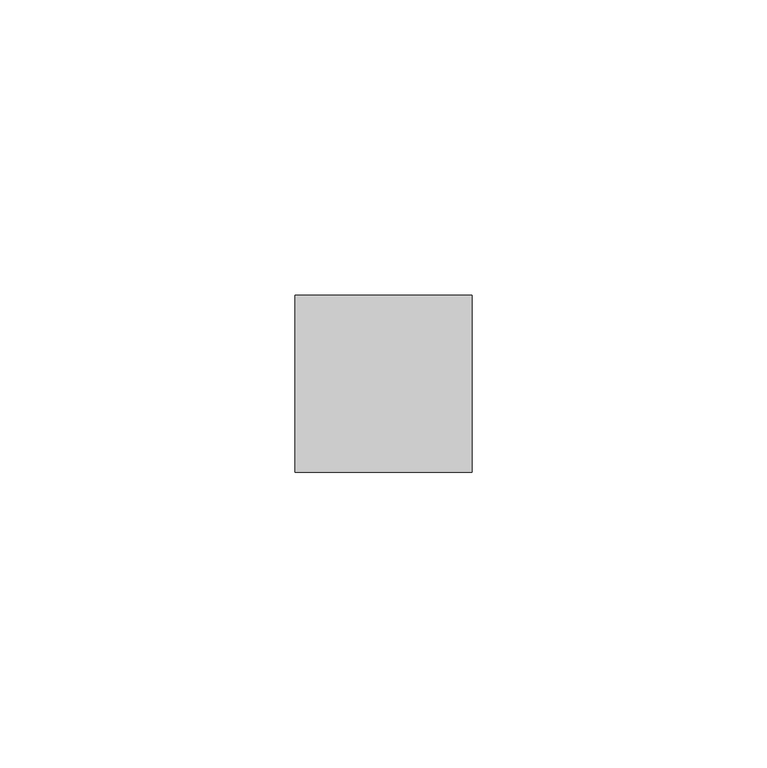
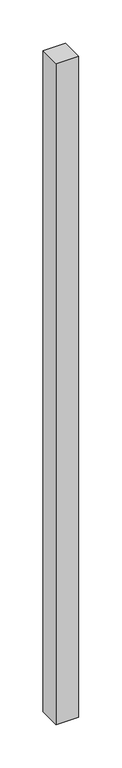
"""IFC4 building model written with IfcOpenShell, lengths in millimetres: member geometry."""

from ifc_helpers import new_model, si_unit, frame, origin, place, context, project, spatial, polyline, outline, extrude, source, transform, mapped, element, save


def member_d92d41f1(model_context):
    return source(origin(), model_context, "Body", "SweptSolid", [
        extrude(outline(polyline([(15.0, 15.0), (15.0, -15.0), (-15.0, -15.0), (-15.0, 15.0), (15.0, 15.0)])), frame((0.0, 0.0, -930.7142857), z_axis=(0.0, 0.0, 1.0), x_axis=(1.0, 0.0, 0.0)), (0.0, 0.0, 1.0), 930.7142857),
    ])


if __name__ == "__main__":
    model = new_model("IFC4")
    model_context = context("Model", 3, world=origin())
    ifc_project = project(units=[si_unit("LENGTHUNIT", "METRE", prefix="MILLI")], contexts=[model_context])
    site = spatial("IfcSite", under=ifc_project)
    building = spatial("IfcBuilding", under=site)
    placement = place(None, origin())
    member_shape = member_d92d41f1(model_context)
    element("IfcMember", 1, at=placement, inside=building, context=model_context, shape_type="MappedRepresentation", body=[
        mapped(member_shape, transform((0.0, 0.0, 0.0), x_axis=(1.0, 0.0, 0.0), y_axis=(0.0, 1.0, 0.0), z_axis=(0.0, 0.0, 1.0))),
    ])
    save(model, "model.ifc")
